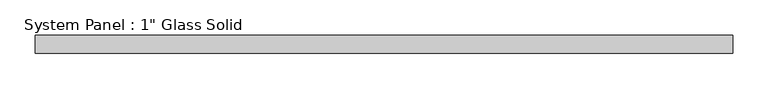
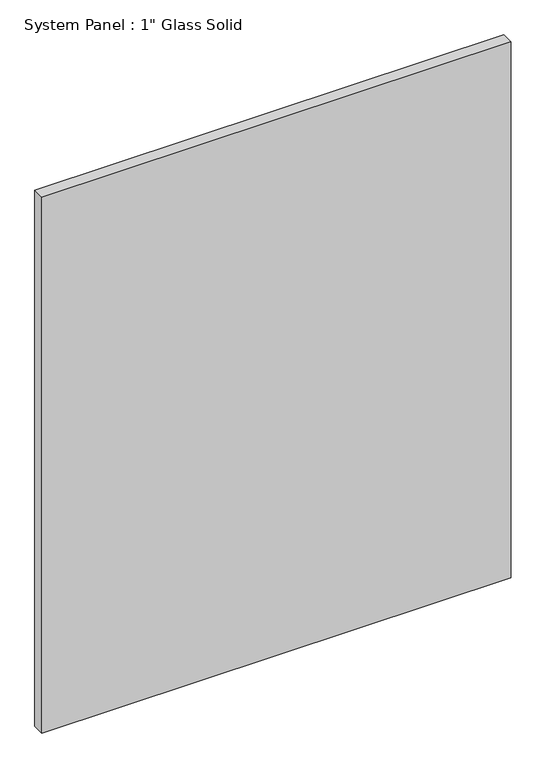
"""IFC4 building model written with IfcOpenShell, lengths in millimetres: plate geometry."""

import ifcopenshell
import ifcopenshell.guid

model = None  # the IFC model being written
_history = None  # IfcOwnerHistory: only IFC2X3 demands one
_inside = {}  # id of a spatial element -> (the spatial element, [elements in it])
_under = {}  # id of a project, library or spatial element -> (it, [spatial elements below it])
_declared = {}  # id of a project -> (the project, [libraries it declares])
_typed = {}  # id of a type object -> (the type object, [elements of that type])
_made_of = {}  # id of a material, layer set ... -> (it, [elements and type objects made of it])


def new_model(schema):
    """Start an empty IFC model of exactly this schema.

    Asked for "IFC4X3", IfcOpenShell would pick the latest addendum, in which some entities
    have other attributes; the version numbers below select the first issue.
    IFC2X3 requires an IfcOwnerHistory on every rooted entity: one is made here for all.
    """
    global model, _history
    if schema == "IFC4X3":
        model = ifcopenshell.file(schema_version=(4, 3, 0, 0))
    else:
        model = ifcopenshell.file(schema=schema)
    _inside.clear()
    _under.clear()
    _declared.clear()
    _typed.clear()
    _made_of.clear()
    _history = None
    if model.schema == "IFC2X3":
        org = make("IfcOrganization", Name="unknown")
        user = make(
            "IfcPersonAndOrganization",
            ThePerson=make("IfcPerson", FamilyName="unknown"),
            TheOrganization=org,
        )
        app = make(
            "IfcApplication",
            ApplicationDeveloper=org,
            Version="unknown",
            ApplicationFullName="unknown",
            ApplicationIdentifier="unknown",
        )
        _history = make(
            "IfcOwnerHistory",
            OwningUser=user,
            OwningApplication=app,
            ChangeAction="ADDED",
            CreationDate=0,
        )
    return model


def make(cls, **values):
    """One entity of the class cls with the attributes given. An attribute that is None is left unset."""
    return model.create_entity(
        cls, **{name: value for name, value in values.items() if value is not None}
    )


def rooted(cls, **values):
    """An entity with a GlobalId (a new one), such as an element, a storey or a relation."""
    return make(cls, GlobalId=ifcopenshell.guid.new(), OwnerHistory=_history, **values)


def si_unit(unit_type, name, prefix=None):
    """IfcSIUnit, for example si_unit("LENGTHUNIT", "METRE", prefix="MILLI")."""
    return make("IfcSIUnit", UnitType=unit_type, Prefix=prefix, Name=name)


def assignment(units):
    """IfcUnitAssignment: the units of a project."""
    return None if units is None else make("IfcUnitAssignment", Units=units)


def point(xyz):
    """IfcCartesianPoint."""
    return None if xyz is None else make("IfcCartesianPoint", Coordinates=xyz)


def direction(xyz):
    """IfcDirection."""
    return None if xyz is None else make("IfcDirection", DirectionRatios=xyz)


def frame(location, z_axis=None, x_axis=None):
    """IfcAxis2Placement3D, a coordinate frame: its origin and axes. An axis left out is left unset."""
    return make(
        "IfcAxis2Placement3D",
        Location=point(location),
        Axis=direction(z_axis),
        RefDirection=direction(x_axis),
    )


def origin():
    """The frame at (0, 0, 0) with its axes left unset."""
    return frame((0.0, 0.0, 0.0))


def origin_with_axes():
    """The frame at (0, 0, 0) with the z axis (0, 0, 1) and the x axis (1, 0, 0) written out."""
    return frame((0.0, 0.0, 0.0), z_axis=(0.0, 0.0, 1.0), x_axis=(1.0, 0.0, 0.0))


def place(relative_to, where):
    """IfcLocalPlacement: puts the frame where relative to a parent placement (None: the world)."""
    return make(
        "IfcLocalPlacement", PlacementRelTo=relative_to, RelativePlacement=where
    )


def context(
    kind, dimensions, precision=None, world=None, true_north=None, identifier=None
):
    """IfcGeometricRepresentationContext, for example the 3D "Model" context."""
    return make(
        "IfcGeometricRepresentationContext",
        ContextIdentifier=identifier,
        ContextType=kind,
        CoordinateSpaceDimension=dimensions,
        Precision=precision,
        WorldCoordinateSystem=world,
        TrueNorth=true_north,
    )


def project(units=None, contexts=None):
    """IfcProject with its units and contexts."""
    return rooted(
        "IfcProject",
        Name="project",
        RepresentationContexts=contexts,
        UnitsInContext=assignment(units),
    )


def spatial(cls, under=None, at=None, **own):
    """A site, building, storey or space (cls), placed at a placement, below another one or the project."""
    s = rooted(cls, ObjectPlacement=at, **own)
    if under is not None:
        _under.setdefault(under.id(), (under, []))[1].append(s)
    return s


def polyline(points):
    """IfcPolyline through the points."""
    return make("IfcPolyline", Points=[point(p) for p in points])


def outline(outer, holes=None, kind="AREA"):
    """IfcArbitraryClosedProfileDef: a profile drawn as a closed curve; with holes, ...WithVoids."""
    if holes is None:
        return make("IfcArbitraryClosedProfileDef", ProfileType=kind, OuterCurve=outer)
    return make(
        "IfcArbitraryProfileDefWithVoids",
        ProfileType=kind,
        OuterCurve=outer,
        InnerCurves=holes,
    )


def extrude(swept, where, along, depth):
    """IfcExtrudedAreaSolid: the profile swept, set in the frame where, extruded along a direction by depth."""
    return make(
        "IfcExtrudedAreaSolid",
        SweptArea=swept,
        Position=where,
        ExtrudedDirection=direction(along),
        Depth=depth,
    )


def shape(context_of_items, identifier, shape_type, items):
    """IfcShapeRepresentation: the items that make up one representation, for example the "Body"."""
    return make(
        "IfcShapeRepresentation",
        ContextOfItems=context_of_items,
        RepresentationIdentifier=identifier,
        RepresentationType=shape_type,
        Items=items,
    )


def source(mapping_origin, context_of_items, identifier, shape_type, items):
    """IfcRepresentationMap: a shape defined once, which mapped items show again and again."""
    return make(
        "IfcRepresentationMap",
        MappingOrigin=mapping_origin,
        MappedRepresentation=shape(context_of_items, identifier, shape_type, items),
    )


def transform(
    local_origin,
    x_axis=None,
    y_axis=None,
    z_axis=None,
    scale=None,
    scale2=None,
    scale3=None,
    uniform=True,
):
    """IfcCartesianTransformationOperator3D, or its non-uniform kind. x_axis, y_axis, z_axis: its Axis1, 2, 3."""
    if uniform:
        return make(
            "IfcCartesianTransformationOperator3D",
            Axis1=direction(x_axis),
            Axis2=direction(y_axis),
            LocalOrigin=point(local_origin),
            Scale=scale,
            Axis3=direction(z_axis),
        )
    return make(
        "IfcCartesianTransformationOperator3DnonUniform",
        Axis1=direction(x_axis),
        Axis2=direction(y_axis),
        LocalOrigin=point(local_origin),
        Scale=scale,
        Axis3=direction(z_axis),
        Scale2=scale2,
        Scale3=scale3,
    )


def mapped(mapping_source, mapping_target):
    """IfcMappedItem: shows the shape of a source again, moved by a transform."""
    return make(
        "IfcMappedItem", MappingSource=mapping_source, MappingTarget=mapping_target
    )


def made_of(thing, what):
    """Note that an element or type object is made of a material, layer set ...; save() writes the relation."""
    if what is not None:
        _made_of.setdefault(what.id(), (what, []))[1].append(thing)
    return thing


def element(
    cls,
    number,
    at=None,
    inside=None,
    cuts=None,
    type_object=None,
    material=None,
    context=None,
    identifier="Body",
    shape_type=None,
    held_by="IfcProductDefinitionShape",
    body=None,
    shapes=None,
    **own,
):
    """One element of the class cls, such as IfcWall. Its Tag is "e" and its number.

    at: its placement. inside: the storey or other place that contains it. cuts: it is an
    opening in that element (IfcRelVoidsElement). A single representation is given by context,
    identifier, shape_type and body (its items); several are given by shapes. held_by: the class
    of the entity that holds the representations. save() writes the other relations.
    """
    e = rooted(cls, Tag="e%d" % number, ObjectPlacement=at, **own)
    if body is not None:
        shapes = [shape(context, identifier, shape_type, body)]
    if shapes is not None:
        e.Representation = make(held_by, Representations=shapes)
    if inside is not None:
        _inside.setdefault(inside.id(), (inside, []))[1].append(e)
    if cuts is not None:
        rooted(
            "IfcRelVoidsElement", RelatingBuildingElement=cuts, RelatedOpeningElement=e
        )
    if type_object is not None:
        _typed.setdefault(type_object.id(), (type_object, []))[1].append(e)
    return made_of(e, material)


def aggregate(whole, parts):
    """IfcRelAggregates: a whole, such as a stair, and the parts it consists of."""
    return rooted("IfcRelAggregates", RelatingObject=whole, RelatedObjects=parts)


def save(model, path):
    """Write the relations noted so far, then the file.

    IfcRelAggregates (storeys below a building ...), IfcRelContainedInSpatialStructure (elements
    in a storey), IfcRelDefinesByType, IfcRelAssociatesMaterial and IfcRelDeclares: one each for
    every whole, place, type object, material and project.
    """
    for whole, parts in _under.values():
        aggregate(whole, parts)
    for where, things in _inside.values():
        rooted(
            "IfcRelContainedInSpatialStructure",
            RelatedElements=things,
            RelatingStructure=where,
        )
    for kind, things in _typed.values():
        rooted("IfcRelDefinesByType", RelatedObjects=things, RelatingType=kind)
    for what, things in _made_of.values():
        rooted("IfcRelAssociatesMaterial", RelatedObjects=things, RelatingMaterial=what)
    for by, libraries in _declared.values():
        rooted("IfcRelDeclares", RelatingContext=by, RelatedDefinitions=libraries)
    model.write(path)


def plate_297a00b5(model_context):
    return source(origin(), model_context, "Body", "SweptSolid", [
        extrude(outline(polyline([(492.125, -12.7), (-492.125, -12.7), (-492.125, 12.7), (492.125, 12.7), (492.125, -12.7)])), origin_with_axes(), (0.0, 0.0, 1.0), 1187.4517704),
    ])


if __name__ == "__main__":
    model = new_model("IFC4")
    model_context = context("Model", 3, world=origin())
    ifc_project = project(units=[si_unit("LENGTHUNIT", "METRE", prefix="MILLI")], contexts=[model_context])
    site = spatial("IfcSite", under=ifc_project)
    building = spatial("IfcBuilding", under=site)
    placement = place(None, origin())
    plate_shape = plate_297a00b5(model_context)
    element("IfcPlate", 1, ObjectType="System Panel : 1\" Glass Solid", at=placement, inside=building, context=model_context, shape_type="MappedRepresentation", body=[
        mapped(plate_shape, transform((0.0, 0.0, 0.0), x_axis=(1.0, 0.0, 0.0), y_axis=(0.0, 1.0, 0.0), z_axis=(0.0, 0.0, 1.0))),
    ])
    save(model, "model.ifc")
